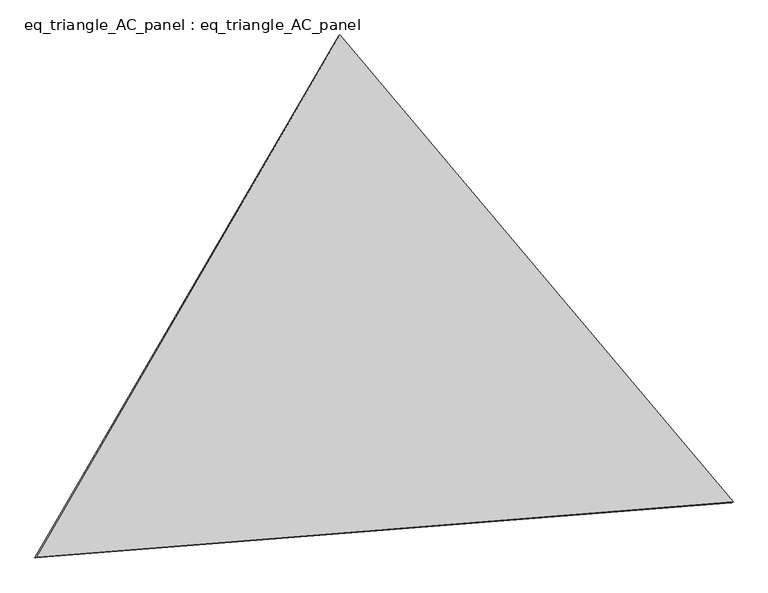
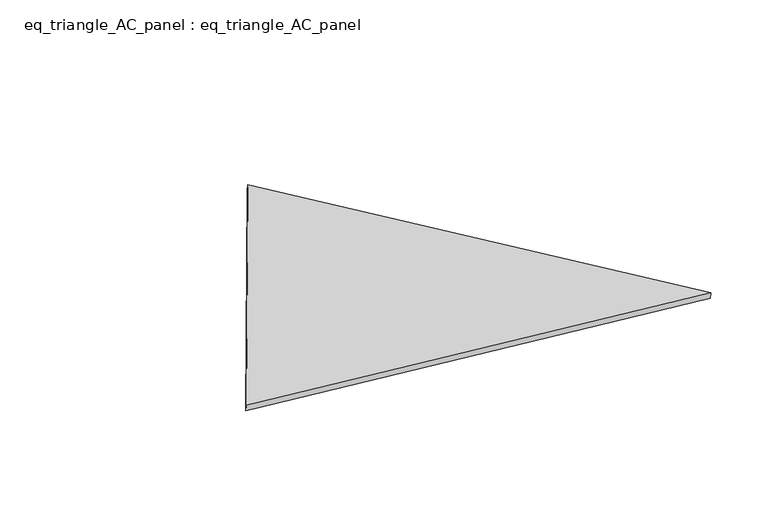
"""IFC4 building model written with IfcOpenShell, lengths in millimetres: proxy geometry, eq_triangle_AC_panel : eq_triangle_AC_panel."""

from ifc_helpers import new_model, si_unit, frame, origin, place, context, project, spatial, polyline, outline, extrude, source, transform, mapped, element, save


def eq_triangle_ac_panel_eq_triangle_ac_panel_ad1cc9bd(model_context):
    return source(origin(), model_context, "Body", "SweptSolid", [
        extrude(outline(polyline([(-1545.5417544, 1096.950005), (1940.6131338, 1096.950005), (-395.0713796, -2193.90001), (-1545.5417544, 1096.950005)])), frame((-6.3631761, 524.2531996, 46.6143561), z_axis=(0.14526328518058157, 0.08386570281802172, 0.9858321976225897), x_axis=(0.6433956684768851, -0.7649563245265467, -0.02972936851025767)), (0.0, 0.0, 1.0), 43.8306294),
    ])


if __name__ == "__main__":
    model = new_model("IFC4")
    model_context = context("Model", 3, world=origin())
    ifc_project = project(units=[si_unit("LENGTHUNIT", "METRE", prefix="MILLI")], contexts=[model_context])
    site = spatial("IfcSite", under=ifc_project)
    building = spatial("IfcBuilding", under=site)
    placement = place(None, origin())
    eq_triangle_ac_panel_eq_triangle_ac_panel_shape = eq_triangle_ac_panel_eq_triangle_ac_panel_ad1cc9bd(model_context)
    element("IfcBuildingElementProxy", 1, Name="eq_triangle_AC_panel : eq_triangle_AC_panel", ObjectType="eq_triangle_AC_panel : eq_triangle_AC_panel", at=placement, inside=building, context=model_context, shape_type="MappedRepresentation", body=[
        mapped(eq_triangle_ac_panel_eq_triangle_ac_panel_shape, transform((0.0, 0.0, 0.0), x_axis=(1.0, 0.0, 0.0), y_axis=(0.0, 1.0, 0.0), z_axis=(0.0, 0.0, 1.0))),
    ])
    save(model, "model.ifc")
